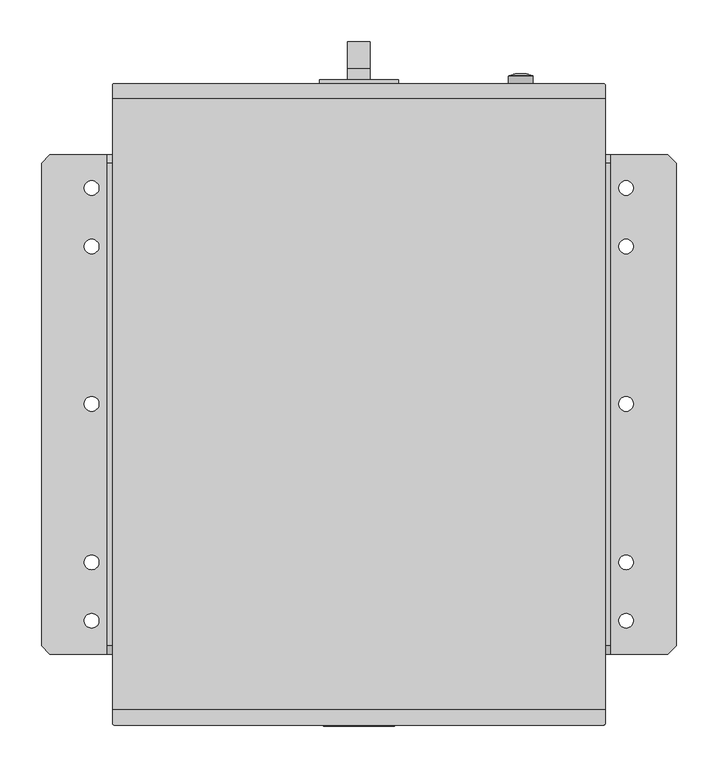
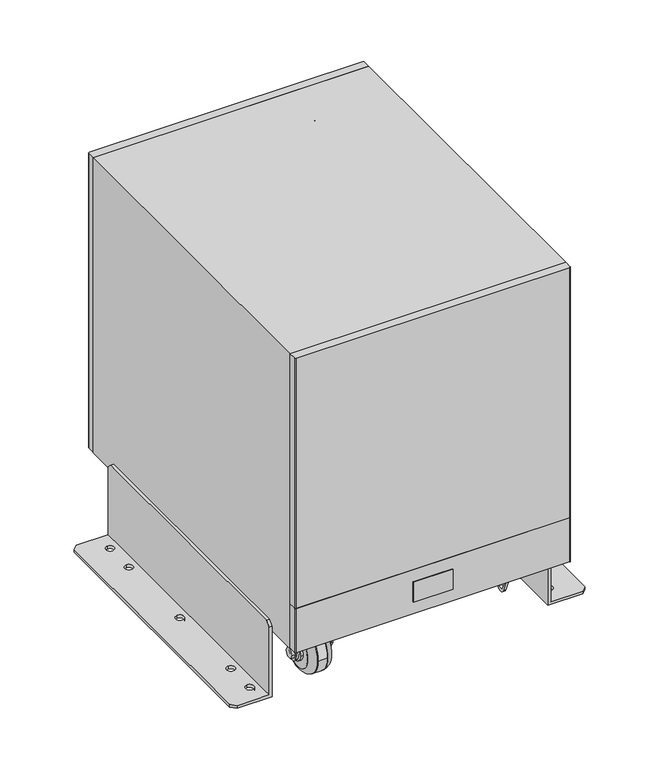
"""IFC4 building model written with IfcOpenShell, lengths in millimetres: proxy geometry."""

from ifc_helpers import new_model, si_unit, point, frame, frame_2d, origin, place, context, project, spatial, polyline, circle_curve, ellipse_curve, trimmed, segment, composite_curve, outline, extrude, source, transform, mapped, element, save
from ifc_brep_helpers import plane_surface, cylinder_surface, revolved_surface, advanced_brep


def specialty_equipment_90e3c128(model_context):
    return source(origin(), model_context, "Body", "SolidModel", [
        advanced_brep(
        [(-371.0530184, 299.7207349, 6.2572178), (-381.0645669, 289.7091864, 6.2572178), (-381.0645669, -289.7091864, 6.2572178), (-371.0530184, -299.7207349, 6.2572178), (-302.223622, -299.7207349, 6.2572178), (-302.223622, 299.7207349, 6.2572178), (-320.9952756, 268.4569644, 6.2572178), (-320.9952756, 250.8921169, 6.2572178), (-320.9952756, 198.3761245, 6.2572178), (-320.9952756, 180.811277, 6.2572178), (-320.9952756, 9.4081455, 6.2572178), (-320.9952756, -8.156702, 6.2572178), (-320.9952756, -180.811277, 6.2572178), (-320.9952756, -198.3761245, 6.2572178), (-320.9952756, -250.8921169, 6.2572178), (-320.9952756, -268.4569644, 6.2572178), (-371.0530184, 299.7207349, 0.0), (-295.9664042, 299.7207349, 0.0), (-295.9664042, -299.7207349, 0.0), (-371.0530184, -299.7207349, 0.0), (-381.0645669, -289.7091864, 0.0), (-381.0645669, 289.7091864, 0.0), (-320.9952756, 268.4569644, 0.0), (-320.9952756, 250.8921169, 0.0), (-320.9952756, 198.3761245, 0.0), (-320.9952756, 180.811277, 0.0), (-320.9952756, 9.4081455, 0.0), (-320.9952756, -8.156702, 0.0), (-320.9952756, -180.811277, 0.0), (-320.9952756, -198.3761245, 0.0), (-320.9952756, -250.8921169, 0.0), (-320.9952756, -268.4569644, 0.0), (-295.9664042, -299.7207349, 160.1847769), (-302.223622, -299.7207349, 160.1847769), (-302.223622, 299.7207349, 160.1847769), (-295.9664042, 299.7207349, 160.1847769), (-302.223622, -289.7091864, 170.1963255), (-302.223622, 289.7091864, 170.1963255), (-295.9664042, 289.7091864, 170.1963255), (-295.9664042, -289.7091864, 170.1963255)],
        [
            (0, 1),
            (1, 2),
            (2, 3),
            (3, 4),
            (4, 5),
            (5, 0),
            (6, 7, circle_curve(frame((-320.9952756, 259.6745407, 6.2572178), z_axis=(0.0, 0.0, -1.0), x_axis=(0.0, -1.0, 0.0)), 8.7824238)),
            (7, 6, circle_curve(frame((-320.9952756, 259.6745407, 6.2572178), z_axis=(0.0, 0.0, -1.0), x_axis=(0.0, -1.0, 0.0)), 8.7824238)),
            (8, 9, circle_curve(frame((-320.9952756, 189.5937008, 6.2572178), z_axis=(0.0, 0.0, -1.0), x_axis=(0.0, -1.0, 0.0)), 8.7824238)),
            (9, 8, circle_curve(frame((-320.9952756, 189.5937008, 6.2572178), z_axis=(0.0, 0.0, -1.0), x_axis=(0.0, -1.0, 0.0)), 8.7824238)),
            (10, 11, circle_curve(frame((-320.9952756, 0.6257218, 6.2572178), z_axis=(0.0, 0.0, -1.0), x_axis=(0.0, -1.0, 0.0)), 8.7824238)),
            (11, 10, circle_curve(frame((-320.9952756, 0.6257218, 6.2572178), z_axis=(0.0, 0.0, -1.0), x_axis=(0.0, -1.0, 0.0)), 8.7824238)),
            (12, 13, circle_curve(frame((-320.9952756, -189.5937008, 6.2572178), z_axis=(0.0, 0.0, -1.0), x_axis=(0.0, -1.0, 0.0)), 8.7824238)),
            (13, 12, circle_curve(frame((-320.9952756, -189.5937008, 6.2572178), z_axis=(0.0, 0.0, -1.0), x_axis=(0.0, -1.0, 0.0)), 8.7824238)),
            (14, 15, circle_curve(frame((-320.9952756, -259.6745407, 6.2572178), z_axis=(0.0, 0.0, -1.0), x_axis=(0.0, -1.0, 0.0)), 8.7824238)),
            (15, 14, circle_curve(frame((-320.9952756, -259.6745407, 6.2572178), z_axis=(0.0, 0.0, -1.0), x_axis=(0.0, -1.0, 0.0)), 8.7824238)),
            (16, 17),
            (17, 18),
            (18, 19),
            (19, 20),
            (20, 21),
            (21, 16),
            (22, 23, circle_curve(frame((-320.9952756, 259.6745407, 0.0), z_axis=(0.0, 0.0, 1.0), x_axis=(0.0, -1.0, 0.0)), 8.7824238)),
            (23, 22, circle_curve(frame((-320.9952756, 259.6745407, 0.0), z_axis=(0.0, 0.0, 1.0), x_axis=(0.0, -1.0, 0.0)), 8.7824238)),
            (24, 25, circle_curve(frame((-320.9952756, 189.5937008, 0.0), z_axis=(0.0, 0.0, 1.0), x_axis=(0.0, -1.0, 0.0)), 8.7824238)),
            (25, 24, circle_curve(frame((-320.9952756, 189.5937008, 0.0), z_axis=(0.0, 0.0, 1.0), x_axis=(0.0, -1.0, 0.0)), 8.7824238)),
            (26, 27, circle_curve(frame((-320.9952756, 0.6257218, 0.0), z_axis=(0.0, 0.0, 1.0), x_axis=(0.0, -1.0, 0.0)), 8.7824238)),
            (27, 26, circle_curve(frame((-320.9952756, 0.6257218, 0.0), z_axis=(0.0, 0.0, 1.0), x_axis=(0.0, -1.0, 0.0)), 8.7824238)),
            (28, 29, circle_curve(frame((-320.9952756, -189.5937008, 0.0), z_axis=(0.0, 0.0, 1.0), x_axis=(0.0, -1.0, 0.0)), 8.7824238)),
            (29, 28, circle_curve(frame((-320.9952756, -189.5937008, 0.0), z_axis=(0.0, 0.0, 1.0), x_axis=(0.0, -1.0, 0.0)), 8.7824238)),
            (30, 31, circle_curve(frame((-320.9952756, -259.6745407, 0.0), z_axis=(0.0, 0.0, 1.0), x_axis=(0.0, -1.0, 0.0)), 8.7824238)),
            (31, 30, circle_curve(frame((-320.9952756, -259.6745407, 0.0), z_axis=(0.0, 0.0, 1.0), x_axis=(0.0, -1.0, 0.0)), 8.7824238)),
            (0, 16),
            (21, 1),
            (20, 2),
            (19, 3),
            (18, 32),
            (32, 33),
            (33, 4),
            (5, 34),
            (34, 35),
            (35, 17),
            (6, 22),
            (23, 7),
            (8, 24),
            (25, 9),
            (10, 26),
            (27, 11),
            (12, 28),
            (29, 13),
            (14, 30),
            (31, 15),
            (33, 36),
            (36, 37),
            (37, 34),
            (35, 38),
            (38, 39),
            (39, 32),
            (39, 36),
            (38, 37),
        ],
        [
            plane_surface(frame((-302.223622, 299.7207349, 6.2572178), z_axis=(0.0, 0.0, 1.0), x_axis=(1.0, 0.0, 0.0))),
            plane_surface(frame((-302.223622, 299.7207349, 0.0), z_axis=(0.0, 0.0, -1.0), x_axis=(-1.0, 0.0, 0.0))),
            plane_surface(frame((-381.0645669, 289.7091864, 6.2572178), z_axis=(-0.7071067811865476, 0.7071067811865476, 0.0), x_axis=(0.0, 0.0, -1.0))),
            plane_surface(frame((-381.0645669, -289.7091864, 6.2572178), z_axis=(-1.0, 0.0, 0.0), x_axis=(0.0, 0.0, -1.0))),
            plane_surface(frame((-371.0530184, -299.7207349, 6.2572178), z_axis=(-0.7071067811865464, -0.7071067811865488, 0.0), x_axis=(0.0, 0.0, -1.0))),
            plane_surface(frame((-302.223622, -299.7207349, 6.2572178), z_axis=(0.0, -1.0, 0.0), x_axis=(0.0, 0.0, -1.0))),
            plane_surface(frame((-371.0530184, 299.7207349, 6.2572178), z_axis=(0.0, 1.0, 0.0), x_axis=(0.0, 0.0, -1.0))),
            revolved_surface(polyline([(-320.9952756, 250.89211690000002, 0.0), (-320.9952756, 250.89211690000002, 6.2572178)]), (-320.9952756, 259.6745407, 0.0), (0.0, 0.0, -1.0)),
            revolved_surface(polyline([(-320.9952756, 180.811277, 0.0), (-320.9952756, 180.811277, 6.2572178)]), (-320.9952756, 189.5937008, 0.0), (0.0, 0.0, -1.0)),
            revolved_surface(polyline([(-320.9952756, -8.156702, 0.0), (-320.9952756, -8.156702, 6.2572178)]), (-320.9952756, 0.6257218, 0.0), (0.0, 0.0, -1.0)),
            revolved_surface(polyline([(-320.9952756, -198.3761246, 0.0), (-320.9952756, -198.3761246, 6.2572178)]), (-320.9952756, -189.5937008, 0.0), (0.0, 0.0, -1.0)),
            revolved_surface(polyline([(-320.9952756, -268.4569645, 0.0), (-320.9952756, -268.4569645, 6.2572178)]), (-320.9952756, -259.6745407, 0.0), (0.0, 0.0, -1.0)),
            plane_surface(frame((-302.223622, 299.7207349, 0.0), z_axis=(-1.0, 0.0, 0.0), x_axis=(0.0, 1.0, 0.0))),
            plane_surface(frame((-295.9664042, 299.7207349, 0.0), z_axis=(1.0, 0.0, 0.0), x_axis=(0.0, -1.0, 0.0))),
            plane_surface(frame((-302.223622, -289.7091864, 170.1963255), z_axis=(0.0, -0.7071067811865499, 0.7071067811865451), x_axis=(1.0, 0.0, 0.0))),
            plane_surface(frame((-302.223622, 289.7091864, 170.1963255), z_axis=(0.0, 0.0, 1.0), x_axis=(1.0, 0.0, 0.0))),
            plane_surface(frame((-302.223622, 299.7207349, 160.1847769), z_axis=(0.0, 0.7071067811875645, 0.7071067811855306), x_axis=(1.0, 0.0, 0.0))),
        ],
        [
            (0, [[1, 2, 3, 4, 5, 6], [7, 8], [9, 10], [11, 12], [13, 14], [15, 16]]),
            (1, [[17, 18, 19, 20, 21, 22], [23, 24], [25, 26], [27, 28], [29, 30], [31, 32]]),
            (2, [[33, -22, 34, -1]]),
            (3, [[-34, -21, 35, -2]]),
            (4, [[-35, -20, 36, -3]]),
            (5, [[-36, -19, 37, 38, 39, -4]]),
            (6, [[40, 41, 42, -17, -33, -6]]),
            (7, [[43, -24, 44, -7]]),
            (7, [[-44, -23, -43, -8]]),
            (8, [[45, -26, 46, -9]]),
            (8, [[-46, -25, -45, -10]]),
            (9, [[47, -28, 48, -11]]),
            (9, [[-48, -27, -47, -12]]),
            (10, [[49, -30, 50, -13]]),
            (10, [[-50, -29, -49, -14]]),
            (11, [[51, -32, 52, -15]]),
            (11, [[-52, -31, -51, -16]]),
            (12, [[-40, -5, -39, 53, 54, 55]]),
            (13, [[-18, -42, 56, 57, 58, -37]]),
            (14, [[-38, -58, 59, -53]]),
            (15, [[-59, -57, 60, -54]]),
            (16, [[-60, -56, -41, -55]]),
        ],
    ),
        advanced_brep(
        [(371.0530184, 299.7207349, 6.2572178), (302.223622, 299.7207349, 6.2572178), (302.223622, -299.7207349, 6.2572178), (371.0530184, -299.7207349, 6.2572178), (381.0645669, -289.7091864, 6.2572178), (381.0645669, 289.7091864, 6.2572178), (320.9952756, 268.4569644, 6.2572178), (320.9952756, 250.8921169, 6.2572178), (320.9952756, 198.3761245, 6.2572178), (320.9952756, 180.811277, 6.2572178), (320.9952756, 9.4081455, 6.2572178), (320.9952756, -8.156702, 6.2572178), (320.9952756, -180.811277, 6.2572178), (320.9952756, -198.3761245, 6.2572178), (320.9952756, -250.8921169, 6.2572178), (320.9952756, -268.4569644, 6.2572178), (295.9664042, 299.7207349, 0.0), (371.0530184, 299.7207349, 0.0), (381.0645669, 289.7091864, 0.0), (381.0645669, -289.7091864, 0.0), (371.0530184, -299.7207349, 0.0), (295.9664042, -299.7207349, 0.0), (320.9952756, 268.4569644, 0.0), (320.9952756, 250.8921169, 0.0), (320.9952756, 198.3761245, 0.0), (320.9952756, 180.811277, 0.0), (320.9952756, 9.4081455, 0.0), (320.9952756, -8.156702, 0.0), (320.9952756, -180.811277, 0.0), (320.9952756, -198.3761245, 0.0), (320.9952756, -250.8921169, 0.0), (320.9952756, -268.4569644, 0.0), (302.223622, -299.7207349, 160.1847769), (295.9664042, -299.7207349, 160.1847769), (295.9664042, 299.7207349, 160.1847769), (302.223622, 299.7207349, 160.1847769), (302.223622, 289.7091864, 170.1963255), (302.223622, -289.7091864, 170.1963255), (295.9664042, -289.7091864, 170.1963255), (295.9664042, 289.7091864, 170.1963255)],
        [
            (0, 1),
            (1, 2),
            (2, 3),
            (3, 4),
            (4, 5),
            (5, 0),
            (6, 7, circle_curve(frame((320.9952756, 259.6745407, 6.2572178), z_axis=(0.0, 0.0, -1.0), x_axis=(0.0, -1.0, 0.0)), 8.7824238)),
            (7, 6, circle_curve(frame((320.9952756, 259.6745407, 6.2572178), z_axis=(0.0, 0.0, -1.0), x_axis=(0.0, -1.0, 0.0)), 8.7824238)),
            (8, 9, circle_curve(frame((320.9952756, 189.5937008, 6.2572178), z_axis=(0.0, 0.0, -1.0), x_axis=(0.0, -1.0, 0.0)), 8.7824238)),
            (9, 8, circle_curve(frame((320.9952756, 189.5937008, 6.2572178), z_axis=(0.0, 0.0, -1.0), x_axis=(0.0, -1.0, 0.0)), 8.7824238)),
            (10, 11, circle_curve(frame((320.9952756, 0.6257218, 6.2572178), z_axis=(0.0, 0.0, -1.0), x_axis=(0.0, -1.0, 0.0)), 8.7824238)),
            (11, 10, circle_curve(frame((320.9952756, 0.6257218, 6.2572178), z_axis=(0.0, 0.0, -1.0), x_axis=(0.0, -1.0, 0.0)), 8.7824238)),
            (12, 13, circle_curve(frame((320.9952756, -189.5937008, 6.2572178), z_axis=(0.0, 0.0, -1.0), x_axis=(0.0, -1.0, 0.0)), 8.7824238)),
            (13, 12, circle_curve(frame((320.9952756, -189.5937008, 6.2572178), z_axis=(0.0, 0.0, -1.0), x_axis=(0.0, -1.0, 0.0)), 8.7824238)),
            (14, 15, circle_curve(frame((320.9952756, -259.6745407, 6.2572178), z_axis=(0.0, 0.0, -1.0), x_axis=(0.0, -1.0, 0.0)), 8.7824238)),
            (15, 14, circle_curve(frame((320.9952756, -259.6745407, 6.2572178), z_axis=(0.0, 0.0, -1.0), x_axis=(0.0, -1.0, 0.0)), 8.7824238)),
            (16, 17),
            (17, 18),
            (18, 19),
            (19, 20),
            (20, 21),
            (21, 16),
            (22, 23, circle_curve(frame((320.9952756, 259.6745407, 0.0), z_axis=(0.0, 0.0, 1.0), x_axis=(0.0, -1.0, 0.0)), 8.7824238)),
            (23, 22, circle_curve(frame((320.9952756, 259.6745407, 0.0), z_axis=(0.0, 0.0, 1.0), x_axis=(0.0, -1.0, 0.0)), 8.7824238)),
            (24, 25, circle_curve(frame((320.9952756, 189.5937008, 0.0), z_axis=(0.0, 0.0, 1.0), x_axis=(0.0, -1.0, 0.0)), 8.7824238)),
            (25, 24, circle_curve(frame((320.9952756, 189.5937008, 0.0), z_axis=(0.0, 0.0, 1.0), x_axis=(0.0, -1.0, 0.0)), 8.7824238)),
            (26, 27, circle_curve(frame((320.9952756, 0.6257218, 0.0), z_axis=(0.0, 0.0, 1.0), x_axis=(0.0, -1.0, 0.0)), 8.7824238)),
            (27, 26, circle_curve(frame((320.9952756, 0.6257218, 0.0), z_axis=(0.0, 0.0, 1.0), x_axis=(0.0, -1.0, 0.0)), 8.7824238)),
            (28, 29, circle_curve(frame((320.9952756, -189.5937008, 0.0), z_axis=(0.0, 0.0, 1.0), x_axis=(0.0, -1.0, 0.0)), 8.7824238)),
            (29, 28, circle_curve(frame((320.9952756, -189.5937008, 0.0), z_axis=(0.0, 0.0, 1.0), x_axis=(0.0, -1.0, 0.0)), 8.7824238)),
            (30, 31, circle_curve(frame((320.9952756, -259.6745407, 0.0), z_axis=(0.0, 0.0, 1.0), x_axis=(0.0, -1.0, 0.0)), 8.7824238)),
            (31, 30, circle_curve(frame((320.9952756, -259.6745407, 0.0), z_axis=(0.0, 0.0, 1.0), x_axis=(0.0, -1.0, 0.0)), 8.7824238)),
            (5, 18),
            (17, 0),
            (4, 19),
            (3, 20),
            (2, 32),
            (32, 33),
            (33, 21),
            (16, 34),
            (34, 35),
            (35, 1),
            (7, 23),
            (22, 6),
            (9, 25),
            (24, 8),
            (11, 27),
            (26, 10),
            (13, 29),
            (28, 12),
            (15, 31),
            (30, 14),
            (35, 36),
            (36, 37),
            (37, 32),
            (33, 38),
            (38, 39),
            (39, 34),
            (37, 38),
            (36, 39),
        ],
        [
            plane_surface(frame((371.0530184, 299.7207349, 6.2572178), z_axis=(0.0, 0.0, 1.0000000000000002), x_axis=(0.70710678118655, -0.7071067811865451, 0.0))),
            plane_surface(frame((371.0530184, 299.7207349, 0.0), z_axis=(0.0, 0.0, -1.0000000000000002), x_axis=(-0.70710678118655, 0.7071067811865451, 0.0))),
            plane_surface(frame((371.0530184, 299.7207349, 6.2572178), z_axis=(0.7071067811865451, 0.70710678118655, 0.0), x_axis=(0.0, 0.0, -1.0))),
            plane_surface(frame((381.0645669, 289.7091864, 6.2572178), z_axis=(1.0, 0.0, 0.0), x_axis=(0.0, 0.0, -1.0))),
            plane_surface(frame((381.0645669, -289.7091864, 6.2572178), z_axis=(0.7071067811865488, -0.7071067811865464, 0.0), x_axis=(0.0, 0.0, -1.0))),
            plane_surface(frame((371.0530184, -299.7207349, 6.2572178), z_axis=(0.0, -1.0, 0.0), x_axis=(0.0, 0.0, -1.0))),
            plane_surface(frame((302.223622, 299.7207349, 6.2572178), z_axis=(0.0, 1.0, 0.0), x_axis=(0.0, 0.0, -1.0))),
            revolved_surface(polyline([(320.9952756, 250.89211690000002, 0.0), (320.9952756, 250.89211690000002, 6.2572178)]), (320.9952756, 259.6745407, 0.0), (0.0, 0.0, -1.0)),
            revolved_surface(polyline([(320.9952756, 180.811277, 0.0), (320.9952756, 180.811277, 6.2572178)]), (320.9952756, 189.5937008, 0.0), (0.0, 0.0, -1.0)),
            revolved_surface(polyline([(320.9952756, -8.156702, 0.0), (320.9952756, -8.156702, 6.2572178)]), (320.9952756, 0.6257218, 0.0), (0.0, 0.0, -1.0)),
            revolved_surface(polyline([(320.9952756, -198.3761246, 0.0), (320.9952756, -198.3761246, 6.2572178)]), (320.9952756, -189.5937008, 0.0), (0.0, 0.0, -1.0)),
            revolved_surface(polyline([(320.9952756, -268.4569645, 0.0), (320.9952756, -268.4569645, 6.2572178)]), (320.9952756, -259.6745407, 0.0), (0.0, 0.0, -1.0)),
            plane_surface(frame((302.223622, -299.7207349, 0.0), z_axis=(1.0, 0.0, 0.0), x_axis=(0.0, 0.0, 1.0))),
            plane_surface(frame((295.9664042, -299.7207349, 0.0), z_axis=(-1.0, 0.0, 0.0), x_axis=(0.0, 0.0, -1.0))),
            plane_surface(frame((302.223622, -299.7207349, 160.1847769), z_axis=(0.0, -0.7071067811865487, 0.7071067811865464), x_axis=(-1.0, 0.0, 0.0))),
            plane_surface(frame((302.223622, -289.7091864, 170.1963255), z_axis=(0.0, 0.0, 1.0), x_axis=(-1.0, 0.0, 0.0))),
            plane_surface(frame((302.223622, 289.7091864, 170.1963255), z_axis=(0.0, 0.7071067811875645, 0.7071067811855306), x_axis=(-1.0, 0.0, 0.0))),
        ],
        [
            (0, [[1, 2, 3, 4, 5, 6], [7, 8], [9, 10], [11, 12], [13, 14], [15, 16]]),
            (1, [[17, 18, 19, 20, 21, 22], [23, 24], [25, 26], [27, 28], [29, 30], [31, 32]]),
            (2, [[33, -18, 34, -6]]),
            (3, [[35, -19, -33, -5]]),
            (4, [[36, -20, -35, -4]]),
            (5, [[37, 38, 39, -21, -36, -3]]),
            (6, [[-34, -17, 40, 41, 42, -1]]),
            (7, [[43, -23, 44, -8]]),
            (7, [[-44, -24, -43, -7]]),
            (8, [[45, -25, 46, -10]]),
            (8, [[-46, -26, -45, -9]]),
            (9, [[47, -27, 48, -12]]),
            (9, [[-48, -28, -47, -11]]),
            (10, [[49, -29, 50, -14]]),
            (10, [[-50, -30, -49, -13]]),
            (11, [[51, -31, 52, -16]]),
            (11, [[-52, -32, -51, -15]]),
            (12, [[-37, -2, -42, 53, 54, 55]]),
            (13, [[-39, 56, 57, 58, -40, -22]]),
            (14, [[59, -56, -38, -55]]),
            (15, [[60, -57, -59, -54]]),
            (16, [[-41, -58, -60, -53]]),
        ],
    ),
        extrude(outline(polyline([(42.4962458, -386.4703028), (-42.4962458, -386.4703028), (-42.4962458, -385.000275), (42.4962458, -385.000275), (42.4962458, -386.4703028)])), frame((0.0, 0.0, 178.5136417), z_axis=(0.0, 0.0, 1.0), x_axis=(1.0, 0.0, 0.0)), (0.0, 0.0, 1.0), 44.996025),
        extrude(outline(composite_curve([segment(trimmed(circle_curve(frame_2d((670.2349083, -0.1470028)), 27.4895194), [point((670.2349083, 27.3425167))], [point((670.2349083, -27.6365222))], False, "CARTESIAN"), True, "CONTINUOUS"), segment(trimmed(circle_curve(frame_2d((670.2349083, -0.1470028)), 27.4895194), [point((670.2349083, -27.6365222))], [point((670.2349083, 27.3425167))], False, "CARTESIAN"), True, "CONTINUOUS")], self_intersect=False)), frame((0.0, 385.000275, 0.0), z_axis=(0.0, 1.0, 0.0), x_axis=(0.0, 0.0, 1.0)), (0.0, 0.0, 1.0), 4.4100833),
        extrude(outline(composite_curve([segment(polyline([(296.0032625, -366.477925), (296.0032625, -382.6482306)]), True, "CONTINUOUS"), segment(trimmed(circle_curve(frame_2d((293.6512181, -382.6482306)), 2.3520444), [point((296.0032625, -382.6482306))], [point((293.6512181, -385.000275))], False, "CARTESIAN"), True, "CONTINUOUS"), segment(polyline([(293.6512181, -385.000275), (-293.6512181, -385.000275)]), True, "CONTINUOUS"), segment(trimmed(circle_curve(frame_2d((-293.6512181, -382.6482306)), 2.3520444), [point((-293.6512181, -385.000275))], [point((-296.0032625, -382.6482306))], False, "CARTESIAN"), True, "CONTINUOUS"), segment(polyline([(-296.0032625, -382.6482306), (-296.0032625, -366.477925), (296.0032625, -366.477925)]), True, "CONTINUOUS")], self_intersect=False)), frame((0.0, 0.0, 252.0365583), z_axis=(0.0, 0.0, 1.0), x_axis=(1.0, 0.0, 0.0)), (0.0, 0.0, 1.0), 566.9634417),
        extrude(outline(composite_curve([segment(polyline([(296.0032625, -366.477925), (296.0032625, -382.6482306)]), True, "CONTINUOUS"), segment(trimmed(circle_curve(frame_2d((293.6512181, -382.6482306)), 2.3520444), [point((296.0032625, -382.6482306))], [point((293.6512181, -385.000275))], False, "CARTESIAN"), True, "CONTINUOUS"), segment(polyline([(293.6512181, -385.000275), (-293.6512181, -385.000275)]), True, "CONTINUOUS"), segment(trimmed(circle_curve(frame_2d((-293.6512181, -382.6482306)), 2.3520444), [point((-293.6512181, -385.000275))], [point((-296.0032625, -382.6482306))], False, "CARTESIAN"), True, "CONTINUOUS"), segment(polyline([(-296.0032625, -382.6482306), (-296.0032625, -366.477925), (296.0032625, -366.477925)]), True, "CONTINUOUS")], self_intersect=False)), frame((0.0, 0.0, 151.1631167), z_axis=(0.0, 0.0, 1.0), x_axis=(1.0, 0.0, 0.0)), (0.0, 0.0, 1.0), 99.9911667),
        extrude(outline(polyline([(296.0032625, -366.477925), (-296.0032625, -366.477925), (-296.0032625, 366.477925), (296.0032625, 366.477925), (296.0032625, -366.477925)])), frame((0.0, 0.0, 149.98675), z_axis=(0.0, 0.0, 1.0), x_axis=(1.0, 0.0, 0.0)), (0.0, 0.0, 1.0), 669.01325),
        extrude(outline(composite_curve([segment(polyline([(296.0032625, -366.477925), (296.0032625, -382.6482306)]), True, "CONTINUOUS"), segment(trimmed(circle_curve(frame_2d((293.6512181, -382.6482306)), 2.3520444), [point((296.0032625, -382.6482306))], [point((293.6512181, -385.000275))], False, "CARTESIAN"), True, "CONTINUOUS"), segment(polyline([(293.6512181, -385.000275), (-293.6512181, -385.000275)]), True, "CONTINUOUS"), segment(trimmed(circle_curve(frame_2d((-293.6512181, -382.6482306)), 2.3520444), [point((-293.6512181, -385.000275))], [point((-296.0032625, -382.6482306))], False, "CARTESIAN"), True, "CONTINUOUS"), segment(polyline([(-296.0032625, -382.6482306), (-296.0032625, -366.477925), (296.0032625, -366.477925)]), True, "CONTINUOUS")], self_intersect=False)), frame((0.0, 0.0, 151.1631167), z_axis=(0.0, 0.0, 1.0), x_axis=(1.0, 0.0, 0.0)), (0.0, 0.0, 1.0), 99.9911667),
        extrude(outline(polyline([(720.2304917, -47.4958042), (620.239325, -47.4958042), (620.239325, 47.4958042), (720.2304917, 47.4958042), (720.2304917, -47.4958042)]), holes=[composite_curve([segment(trimmed(circle_curve(frame_2d((670.2349083, -0.1470028)), 27.4895194), [point((670.2349083, -27.6365222))], [point((670.2349083, 27.3425167))], True, "CARTESIAN"), True, "CONTINUOUS"), segment(trimmed(circle_curve(frame_2d((670.2349083, -0.1470028)), 27.4895194), [point((670.2349083, 27.3425167))], [point((670.2349083, -27.6365222))], True, "CARTESIAN"), True, "CONTINUOUS")], self_intersect=False)]), frame((0.0, 385.000275, 0.0), z_axis=(0.0, 1.0, 0.0), x_axis=(0.0, 0.0, 1.0)), (0.0, 0.0, 1.0), 4.4100833),
        extrude(outline(composite_curve([segment(polyline([(296.0032625, 366.477925), (-296.0032625, 366.477925), (-296.0032625, 382.6482306)]), True, "CONTINUOUS"), segment(trimmed(circle_curve(frame_2d((-293.6512181, 382.6482306)), 2.3520444), [point((-296.0032625, 382.6482306))], [point((-293.6512181, 385.000275))], False, "CARTESIAN"), True, "CONTINUOUS"), segment(polyline([(-293.6512181, 385.000275), (293.6512181, 385.000275)]), True, "CONTINUOUS"), segment(trimmed(circle_curve(frame_2d((293.6512181, 382.6482306)), 2.3520444), [point((293.6512181, 385.000275))], [point((296.0032625, 382.6482306))], False, "CARTESIAN"), True, "CONTINUOUS"), segment(polyline([(296.0032625, 382.6482306), (296.0032625, 366.477925)]), True, "CONTINUOUS")], self_intersect=False)), frame((0.0, 0.0, 151.1631167), z_axis=(0.0, 0.0, 1.0), x_axis=(1.0, 0.0, 0.0)), (0.0, 0.0, 1.0), 667.8368833),
        extrude(outline(polyline([(403.522625, 694.350425), (405.5806639, 694.350425), (405.5806639, 646.4134833), (403.522625, 646.4134833), (403.522625, 642.8843833), (389.4103583, 642.8843833), (389.4103583, 697.879525), (403.522625, 697.879525), (403.522625, 694.350425)])), frame((-13.5242556, 0.0, 0.0), z_axis=(1.0, 0.0, 0.0), x_axis=(0.0, 1.0, 0.0)), (0.0, 0.0, 1.0), 27.0485111),
        extrude(outline(polyline([(403.522625, 700.2322583), (435.275225, 700.2322583), (435.275225, 627.0034333), (403.522625, 623.4743333), (403.522625, 646.4134833), (405.5806639, 646.4134833), (405.5806639, 694.350425), (403.522625, 694.350425), (403.522625, 700.2322583)])), frame((-13.5242556, 0.0, 0.0), z_axis=(1.0, 0.0, 0.0), x_axis=(0.0, 1.0, 0.0)), (0.0, 0.0, 1.0), 27.0485111),
        extrude(outline(polyline([(721.4068583, 48.5109167), (721.4068583, -48.5109167), (619.35705, -48.5109167), (619.35705, 48.5109167), (721.4068583, 48.5109167)]), holes=[polyline([(620.239325, -47.6289), (720.2304917, -47.6289), (720.2304917, 47.3348944), (620.239325, 47.3348944), (620.239325, -47.6289)])]), frame((0.0, 382.8213484, 0.0), z_axis=(0.0, 1.0, 0.0), x_axis=(0.0, 0.0, 1.0)), (0.0, 0.0, 1.0), 2.1789266),
        advanced_brep(
        [(209.2462208, 393.5264361, 640.2375583), (209.2462208, 385.000275, 640.2375583), (179.8370542, 385.000275, 640.2375583), (179.8370542, 393.5264361, 640.2375583), (208.8084107, 394.1755163, 640.2375583), (180.2748643, 394.1755163, 640.2375583), (194.5416375, 397.0651197, 640.2375583), (194.5416375, 385.000275, 640.2375583)],
        [
            (0, 1),
            (1, 2, circle_curve(frame((194.5416375, 385.000275, 640.2375583), z_axis=(0.0, 1.0, 0.0), x_axis=(-1.0, 0.0, 0.0)), 14.7045833)),
            (2, 3),
            (3, 0, circle_curve(frame((194.5416375, 393.5264361, 640.2375583), z_axis=(0.0, -1.0, 0.0), x_axis=(-1.0, 0.0, 0.0)), 14.7045833)),
            (2, 1, circle_curve(frame((194.5416375, 385.000275, 640.2375583), z_axis=(0.0, 1.0, 0.0), x_axis=(-1.0, 0.0, 0.0)), 14.7045833)),
            (0, 3, circle_curve(frame((194.5416375, 393.5264361, 640.2375583), z_axis=(0.0, -1.0, 0.0), x_axis=(-1.0, 0.0, 0.0)), 14.7045833)),
            (4, 0),
            (3, 5),
            (5, 4, circle_curve(frame((194.5416375, 394.1755163, 640.2375583), z_axis=(0.0, -1.0, 0.0), x_axis=(-1.0, 0.0, 0.0)), 14.2667732)),
            (4, 5, circle_curve(frame((194.5416375, 394.1755163, 640.2375583), z_axis=(0.0, -1.0, 0.0), x_axis=(-1.0, 0.0, 0.0)), 14.2667732)),
            (6, 4, circle_curve(frame((194.5416375, 360.4008098, 640.2375583), z_axis=(0.0, 0.0, -1.0), x_axis=(-1.0, 0.0, 0.0)), 36.6643099)),
            (5, 6, circle_curve(frame((194.5416375, 360.4008098, 640.2375583), z_axis=(0.0, 0.0, -1.0), x_axis=(1.0, 0.0, 0.0)), 36.6643099)),
            (1, 7),
            (7, 2),
        ],
        [
            cylinder_surface(frame((194.5416375, 380.000275, 640.2375583), z_axis=(0.0, 1.0, 0.0), x_axis=(-1.0, 0.0, 0.0)), 14.7045833),
            revolved_surface(polyline([(179.8370542, 393.5264361, 640.2375583), (180.2748643, 394.1755163, 640.2375583)]), (194.5416375, 380.000275, 640.2375583), (0.0, 1.0, 0.0)),
            revolved_surface(trimmed(ellipse_curve(frame((194.5416375, 360.4008098, 640.2375583), z_axis=(0.0, 0.0, -1.0), x_axis=(1.0, 0.0, 0.0)), 36.6643099, 36.6643099), [point((180.2748643, 394.1755163, 640.2375583))], [point((194.5416375, 397.0651197, 640.2375583))], True, "CARTESIAN"), (194.5416375, 380.000275, 640.2375583), (0.0, 1.0, 0.0)),
            plane_surface(frame((194.5416375, 385.000275, 640.2375583), z_axis=(0.0, -1.0, 0.0), x_axis=(-1.0, 0.0, 0.0))),
        ],
        [
            (0, [[1, 2, 3, 4]]),
            (0, [[-3, 5, -1, 6]]),
            (1, [[7, -4, 8, 9]]),
            (1, [[-8, -6, -7, 10]]),
            (2, [[11, -9, 12]]),
            (2, [[-12, -10, -11]]),
            (3, [[13, 14, -2]]),
            (3, [[-14, -13, -5]]),
        ],
    ),
        advanced_brep(
        [(209.2462208, 393.5264361, 700.2322583), (209.2462208, 385.000275, 700.2322583), (179.8370542, 385.000275, 700.2322583), (179.8370542, 393.5264361, 700.2322583), (208.8084107, 394.1755163, 700.2322583), (180.2748643, 394.1755163, 700.2322583), (194.5416375, 397.0651197, 700.2322583), (194.5416375, 385.000275, 700.2322583)],
        [
            (0, 1),
            (1, 2, circle_curve(frame((194.5416375, 385.000275, 700.2322583), z_axis=(0.0, 1.0, 0.0), x_axis=(-1.0, 0.0, 0.0)), 14.7045833)),
            (2, 3),
            (3, 0, circle_curve(frame((194.5416375, 393.5264361, 700.2322583), z_axis=(0.0, -1.0, 0.0), x_axis=(-1.0, 0.0, 0.0)), 14.7045833)),
            (2, 1, circle_curve(frame((194.5416375, 385.000275, 700.2322583), z_axis=(0.0, 1.0, 0.0), x_axis=(-1.0, 0.0, 0.0)), 14.7045833)),
            (0, 3, circle_curve(frame((194.5416375, 393.5264361, 700.2322583), z_axis=(0.0, -1.0, 0.0), x_axis=(-1.0, 0.0, 0.0)), 14.7045833)),
            (4, 0),
            (3, 5),
            (5, 4, circle_curve(frame((194.5416375, 394.1755163, 700.2322583), z_axis=(0.0, -1.0, 0.0), x_axis=(-1.0, 0.0, 0.0)), 14.2667732)),
            (4, 5, circle_curve(frame((194.5416375, 394.1755163, 700.2322583), z_axis=(0.0, -1.0, 0.0), x_axis=(-1.0, 0.0, 0.0)), 14.2667732)),
            (6, 4, circle_curve(frame((194.5416375, 360.4008098, 700.2322583), z_axis=(0.0, 0.0, -1.0), x_axis=(-1.0, 0.0, 0.0)), 36.6643099)),
            (5, 6, circle_curve(frame((194.5416375, 360.4008098, 700.2322583), z_axis=(0.0, 0.0, -1.0), x_axis=(1.0, 0.0, 0.0)), 36.6643099)),
            (1, 7),
            (7, 2),
        ],
        [
            cylinder_surface(frame((194.5416375, 380.000275, 700.2322583), z_axis=(0.0, 1.0, 0.0), x_axis=(-1.0, 0.0, 0.0)), 14.7045833),
            revolved_surface(polyline([(179.8370542, 393.5264361, 700.2322583), (180.2748643, 394.1755163, 700.2322583)]), (194.5416375, 380.000275, 700.2322583), (0.0, 1.0, 0.0)),
            revolved_surface(trimmed(ellipse_curve(frame((194.5416375, 360.4008098, 700.2322583), z_axis=(0.0, 0.0, -1.0), x_axis=(1.0, 0.0, 0.0)), 36.6643099, 36.6643099), [point((180.2748643, 394.1755163, 700.2322583))], [point((194.5416375, 397.0651197, 700.2322583))], True, "CARTESIAN"), (194.5416375, 380.000275, 700.2322583), (0.0, 1.0, 0.0)),
            plane_surface(frame((194.5416375, 385.000275, 700.2322583), z_axis=(0.0, -1.0, 0.0), x_axis=(-1.0, 0.0, 0.0))),
        ],
        [
            (0, [[1, 2, 3, 4]]),
            (0, [[-3, 5, -1, 6]]),
            (1, [[7, -4, 8, 9]]),
            (1, [[-8, -6, -7, 10]]),
            (2, [[11, -9, 12]]),
            (2, [[-12, -10, -11]]),
            (3, [[13, 14, -2]]),
            (3, [[-14, -13, -5]]),
        ],
    ),
        advanced_brep(
        [(-153.4709, -264.6963629, 38.5301868), (-153.4709, -244.0818479, 38.5301868), (-153.4709, -223.9450259, 89.99205), (-153.4709, -284.833185, 89.99205), (-153.4709, -248.5494562, 60.8478792), (-153.4709, -242.709807, 50.7333101), (-153.4709, -248.5494562, 40.618741), (-153.4709, -260.2287546, 40.618741), (-153.4709, -266.0684038, 50.7333101), (-153.4709, -260.2287546, 60.8478792), (-159.3510111, -264.7060741, 38.525975), (-159.3510111, -284.833185, 89.99205), (-159.3510111, -223.9450259, 89.99205), (-159.3510111, -244.0721367, 38.525975), (-159.3510111, -248.5494562, 60.8478792), (-159.3510111, -260.2287546, 60.8478792), (-159.3510111, -266.0684038, 50.7333101), (-159.3510111, -260.2287546, 40.618741), (-159.3510111, -248.5494562, 40.618741), (-159.3510111, -242.709807, 50.7333101)],
        [
            (0, 1, circle_curve(frame((-153.4709, -254.3891054, 43.0005277), z_axis=(1.0, 0.0, 0.0), x_axis=(0.0, 1.0, 0.0)), 11.2349234)),
            (1, 2),
            (2, 3),
            (3, 0),
            (4, 5),
            (5, 6),
            (6, 7),
            (7, 8),
            (8, 9),
            (9, 4),
            (10, 11),
            (11, 12),
            (12, 13),
            (13, 10, circle_curve(frame((-159.3510111, -254.3891054, 43.0005277), z_axis=(-1.0, 0.0, 0.0), x_axis=(0.0, 1.0, 0.0)), 11.2349234)),
            (14, 15),
            (15, 16),
            (16, 17),
            (17, 18),
            (18, 19),
            (19, 14),
            (3, 11),
            (10, 0),
            (2, 12),
            (1, 13),
            (9, 15),
            (14, 4),
            (8, 16),
            (7, 17),
            (6, 18),
            (5, 19),
        ],
        [
            plane_surface(frame((-153.4709, -284.833185, 89.99205), z_axis=(1.0, 0.0, 0.0), x_axis=(0.0, -0.36421435293673643, 0.9313151481184414))),
            plane_surface(frame((-159.3510111, -284.833185, 89.99205), z_axis=(-1.0, 0.0, 0.0), x_axis=(0.0, 0.36421435293673643, -0.9313151481184414))),
            plane_surface(frame((-153.4709, -264.7060741, 38.525975), z_axis=(0.0, -0.9313151481184414, -0.36421435293673643), x_axis=(-1.0, 0.0, 0.0))),
            plane_surface(frame((-153.4709, -284.833185, 89.99205), z_axis=(0.0, 0.0, 1.0), x_axis=(-1.0, 0.0, 0.0))),
            plane_surface(frame((-153.4709, -223.9450259, 89.99205), z_axis=(0.0, 0.9313151481185085, -0.36421435293656496), x_axis=(-1.0, 0.0, 0.0))),
            cylinder_surface(frame((-159.3510111, -254.3891054, 43.0005277), z_axis=(1.0, 0.0, 0.0), x_axis=(0.0, 1.0, 0.0)), 11.2349234),
            plane_surface(frame((-153.4709, -248.5494562, 60.8478792), z_axis=(0.0, 0.0, -1.0), x_axis=(-1.0, 0.0, 0.0))),
            plane_surface(frame((-153.4709, -260.2287546, 60.8478792), z_axis=(0.0, 0.8660254037843047, -0.5000000000002323), x_axis=(-1.0, 0.0, 0.0))),
            plane_surface(frame((-153.4709, -266.0684038, 50.7333101), z_axis=(0.0, 0.8660254037842656, 0.5000000000002996), x_axis=(-1.0, 0.0, 0.0))),
            plane_surface(frame((-153.4709, -260.2287546, 40.618741), z_axis=(0.0, 0.0, 1.0), x_axis=(-1.0, 0.0, 0.0))),
            plane_surface(frame((-153.4709, -248.5494562, 40.618741), z_axis=(0.0, -0.8660254037842644, 0.5000000000003018), x_axis=(-1.0, 0.0, 0.0))),
            plane_surface(frame((-153.4709, -242.709807, 50.7333101), z_axis=(0.0, -0.8660254037843034, -0.5000000000002345), x_axis=(-1.0, 0.0, 0.0))),
        ],
        [
            (0, [[1, 2, 3, 4], [5, 6, 7, 8, 9, 10]]),
            (1, [[11, 12, 13, 14], [15, 16, 17, 18, 19, 20]]),
            (2, [[21, -11, 22, -4]]),
            (3, [[23, -12, -21, -3]]),
            (4, [[24, -13, -23, -2]]),
            (5, [[-22, -14, -24, -1]]),
            (6, [[25, -15, 26, -10]]),
            (7, [[27, -16, -25, -9]]),
            (8, [[28, -17, -27, -8]]),
            (9, [[29, -18, -28, -7]]),
            (10, [[30, -19, -29, -6]]),
            (11, [[-26, -20, -30, -5]]),
        ],
    ),
        advanced_brep(
        [(-220.5041667, -264.6963629, 38.5301868), (-220.5041667, -244.0818479, 38.5301868), (-220.5041667, -223.9450259, 89.99205), (-220.5041667, -284.833185, 89.99205), (-220.5041667, -248.5494562, 60.8478792), (-220.5041667, -242.709807, 50.7333101), (-220.5041667, -248.5494562, 40.618741), (-220.5041667, -260.2287546, 40.618741), (-220.5041667, -266.0684038, 50.7333101), (-220.5041667, -260.2287546, 60.8478792), (-226.3842778, -264.7060741, 38.525975), (-226.3842778, -284.833185, 89.99205), (-226.3842778, -223.9450259, 89.99205), (-226.3842778, -244.0721367, 38.525975), (-226.3842778, -248.5494562, 60.8478792), (-226.3842778, -260.2287546, 60.8478792), (-226.3842778, -266.0684038, 50.7333101), (-226.3842778, -260.2287546, 40.618741), (-226.3842778, -248.5494562, 40.618741), (-226.3842778, -242.709807, 50.7333101)],
        [
            (0, 1, circle_curve(frame((-220.5041667, -254.3891054, 43.0005277), z_axis=(1.0, 0.0, 0.0), x_axis=(0.0, 1.0, 0.0)), 11.2349234)),
            (1, 2),
            (2, 3),
            (3, 0),
            (4, 5),
            (5, 6),
            (6, 7),
            (7, 8),
            (8, 9),
            (9, 4),
            (10, 11),
            (11, 12),
            (12, 13),
            (13, 10, circle_curve(frame((-226.3842778, -254.3891054, 43.0005277), z_axis=(-1.0, 0.0, 0.0), x_axis=(0.0, 1.0, 0.0)), 11.2349234)),
            (14, 15),
            (15, 16),
            (16, 17),
            (17, 18),
            (18, 19),
            (19, 14),
            (3, 11),
            (10, 0),
            (2, 12),
            (1, 13),
            (9, 15),
            (14, 4),
            (8, 16),
            (7, 17),
            (6, 18),
            (5, 19),
        ],
        [
            plane_surface(frame((-220.5041667, -284.833185, 89.99205), z_axis=(1.0, 0.0, 0.0), x_axis=(0.0, -0.36421435293673643, 0.9313151481184414))),
            plane_surface(frame((-226.3842778, -284.833185, 89.99205), z_axis=(-1.0, 0.0, 0.0), x_axis=(0.0, 0.36421435293673643, -0.9313151481184414))),
            plane_surface(frame((-220.5041667, -264.7060741, 38.525975), z_axis=(0.0, -0.9313151481184414, -0.36421435293673643), x_axis=(-1.0, 0.0, 0.0))),
            plane_surface(frame((-220.5041667, -284.833185, 89.99205), z_axis=(0.0, 0.0, 1.0), x_axis=(-1.0, 0.0, 0.0))),
            plane_surface(frame((-220.5041667, -223.9450259, 89.99205), z_axis=(0.0, 0.9313151481185085, -0.36421435293656496), x_axis=(-1.0, 0.0, 0.0))),
            cylinder_surface(frame((-226.3842778, -254.3891054, 43.0005277), z_axis=(1.0, 0.0, 0.0), x_axis=(0.0, 1.0, 0.0)), 11.2349234),
            plane_surface(frame((-220.5041667, -248.5494562, 60.8478792), z_axis=(0.0, 0.0, -1.0), x_axis=(-1.0, 0.0, 0.0))),
            plane_surface(frame((-220.5041667, -260.2287546, 60.8478792), z_axis=(0.0, 0.8660254037843047, -0.5000000000002323), x_axis=(-1.0, 0.0, 0.0))),
            plane_surface(frame((-220.5041667, -266.0684038, 50.7333101), z_axis=(0.0, 0.8660254037842656, 0.5000000000002996), x_axis=(-1.0, 0.0, 0.0))),
            plane_surface(frame((-220.5041667, -260.2287546, 40.618741), z_axis=(0.0, 0.0, 1.0), x_axis=(-1.0, 0.0, 0.0))),
            plane_surface(frame((-220.5041667, -248.5494562, 40.618741), z_axis=(0.0, -0.8660254037842644, 0.5000000000003018), x_axis=(-1.0, 0.0, 0.0))),
            plane_surface(frame((-220.5041667, -242.709807, 50.7333101), z_axis=(0.0, -0.8660254037843034, -0.5000000000002345), x_axis=(-1.0, 0.0, 0.0))),
        ],
        [
            (0, [[1, 2, 3, 4], [5, 6, 7, 8, 9, 10]]),
            (1, [[11, 12, 13, 14], [15, 16, 17, 18, 19, 20]]),
            (2, [[21, -11, 22, -4]]),
            (3, [[23, -12, -21, -3]]),
            (4, [[24, -13, -23, -2]]),
            (5, [[-22, -14, -24, -1]]),
            (6, [[25, -15, 26, -10]]),
            (7, [[27, -16, -25, -9]]),
            (8, [[28, -17, -27, -8]]),
            (9, [[29, -18, -28, -7]]),
            (10, [[30, -19, -29, -6]]),
            (11, [[-26, -20, -30, -5]]),
        ],
    ),
        extrude(outline(composite_curve([segment(trimmed(circle_curve(frame_2d((-254.3891054, 50.7333101)), 20.2039105), [point((-274.593016, 50.7333101))], [point((-234.1851949, 50.7333101))], False, "CARTESIAN"), True, "CONTINUOUS"), segment(trimmed(circle_curve(frame_2d((-254.3891054, 50.7333101)), 20.2039105), [point((-234.1851949, 50.7333101))], [point((-274.593016, 50.7333101))], False, "CARTESIAN"), True, "CONTINUOUS")], self_intersect=False)), frame((-220.5041667, 0.0, 0.0), z_axis=(1.0, 0.0, 0.0), x_axis=(0.0, 1.0, 0.0)), (0.0, 0.0, 1.0), 61.1531556),
        extrude(outline(polyline([(-242.709807, 50.7333101), (-248.5494562, 40.618741), (-260.2287546, 40.618741), (-266.0684038, 50.7333101), (-260.2287546, 60.8478792), (-248.5494562, 60.8478792), (-242.709807, 50.7333101)])), frame((-233.4404111, 0.0, 0.0), z_axis=(1.0, 0.0, 0.0), x_axis=(0.0, 1.0, 0.0)), (0.0, 0.0, 1.0), 88.2016667),
        extrude(outline(composite_curve([segment(trimmed(circle_curve(frame_2d((-254.3891054, 51.17195)), 37.6437333), [point((-254.3891054, 13.5282167))], [point((-254.3891054, 88.8156833))], False, "CARTESIAN"), True, "CONTINUOUS"), segment(trimmed(circle_curve(frame_2d((-254.3891054, 51.17195)), 37.6437333), [point((-254.3891054, 88.8156833))], [point((-254.3891054, 13.5282167))], False, "CARTESIAN"), True, "CONTINUOUS")], self_intersect=False), holes=[composite_curve([segment(trimmed(circle_curve(frame_2d((-254.3891054, 50.7333101)), 20.2039105), [point((-274.593016, 50.7333101))], [point((-234.1851949, 50.7333101))], True, "CARTESIAN"), True, "CONTINUOUS"), segment(trimmed(circle_curve(frame_2d((-254.3891054, 50.7333101)), 20.2039105), [point((-234.1851949, 50.7333101))], [point((-274.593016, 50.7333101))], True, "CARTESIAN"), True, "CONTINUOUS")], self_intersect=False)]), frame((-214.9180611, 0.0, 0.0), z_axis=(1.0, 0.0, 0.0), x_axis=(0.0, 1.0, 0.0)), (0.0, 0.0, 1.0), 49.9809444),
        advanced_brep(
        [(-164.9371167, -254.3891054, 87.8717833), (-178.4613722, -254.3891054, 101.4), (-178.4613722, -254.3891054, 0.0), (-164.9371167, -254.3891054, 13.5282167), (-179.9314, -254.3891054, 87.8717833), (-179.9314, -254.3891054, 13.5282167), (-179.9314, -254.3891054, 101.4), (-179.9314, -254.3891054, 0.0)],
        [
            (0, 1, circle_curve(frame((-180.7281604, -254.3891054, 85.6096194), z_axis=(0.0, -1.0, 0.0), x_axis=(-1.0, 0.0, 0.0)), 15.9522553)),
            (1, 2, circle_curve(frame((-178.4613722, -254.3891054, 50.7), z_axis=(1.0, 0.0, 0.0), x_axis=(0.0, 0.0, -1.0)), 50.7)),
            (2, 3, circle_curve(frame((-180.7281604, -254.3891054, 15.7903806), z_axis=(0.0, -1.0, 0.0), x_axis=(-1.0, 0.0, 0.0)), 15.9522553)),
            (3, 0, circle_curve(frame((-164.9371167, -254.3891054, 50.7), z_axis=(-1.0, 0.0, 0.0), x_axis=(0.0, 0.0, -1.0)), 37.1717833)),
            (2, 1, circle_curve(frame((-178.4613722, -254.3891054, 50.7), z_axis=(1.0, 0.0, 0.0), x_axis=(0.0, 0.0, -1.0)), 50.7)),
            (0, 3, circle_curve(frame((-164.9371167, -254.3891054, 50.7), z_axis=(-1.0, 0.0, 0.0), x_axis=(0.0, 0.0, -1.0)), 37.1717833)),
            (4, 0),
            (3, 5),
            (5, 4, circle_curve(frame((-179.9314, -254.3891054, 50.7), z_axis=(-1.0, 0.0, 0.0), x_axis=(0.0, 0.0, -1.0)), 37.1717833)),
            (4, 5, circle_curve(frame((-179.9314, -254.3891054, 50.7), z_axis=(-1.0, 0.0, 0.0), x_axis=(0.0, 0.0, -1.0)), 37.1717833)),
            (6, 4),
            (5, 7),
            (7, 6, circle_curve(frame((-179.9314, -254.3891054, 50.7), z_axis=(-1.0, 0.0, 0.0), x_axis=(0.0, 0.0, -1.0)), 50.7)),
            (6, 7, circle_curve(frame((-179.9314, -254.3891054, 50.7), z_axis=(-1.0, 0.0, 0.0), x_axis=(0.0, 0.0, -1.0)), 50.7)),
            (1, 6),
            (7, 2),
        ],
        [
            revolved_surface(trimmed(ellipse_curve(frame((-180.7281604, -254.3891054, 15.7903806), z_axis=(0.0, -1.0, 0.0), x_axis=(-1.0, 0.0, 0.0)), 15.9522553, 15.9522553), [point((-178.4613722, -254.3891054, 0.0))], [point((-164.9371167, -254.3891054, 13.5282167))], True, "CARTESIAN"), (-145.2387444, -254.3891054, 50.7), (1.0, 0.0, 0.0)),
            revolved_surface(polyline([(-164.9371167, -254.3891054, 13.528216700000002), (-179.9314, -254.3891054, 13.528216700000002)]), (-145.2387444, -254.3891054, 50.7), (1.0, 0.0, 0.0)),
            plane_surface(frame((-179.9314, -254.3891054, 50.7), z_axis=(-1.0, 0.0, 0.0), x_axis=(0.0, 0.0, -1.0))),
            cylinder_surface(frame((-145.2387444, -254.3891054, 50.7), z_axis=(1.0, 0.0, 0.0), x_axis=(0.0, 0.0, -1.0)), 50.7),
        ],
        [
            (0, [[1, 2, 3, 4]]),
            (0, [[-3, 5, -1, 6]]),
            (1, [[7, -4, 8, 9]]),
            (1, [[-8, -6, -7, 10]]),
            (2, [[11, -9, 12, 13]]),
            (2, [[-12, -10, -11, 14]]),
            (3, [[15, -13, 16, -2]]),
            (3, [[-16, -14, -15, -5]]),
        ],
    ),
        advanced_brep(
        [(-199.9237778, -254.3891054, 101.4), (-201.3938056, -254.3891054, 101.4), (-201.3938056, -254.3891054, 0.0), (-199.9237778, -254.3891054, 0.0), (-199.9237778, -254.3891054, 87.8717833), (-199.9237778, -254.3891054, 13.5282167), (-214.9180611, -254.3891054, 87.8717833), (-214.9180611, -254.3891054, 13.5282167)],
        [
            (0, 1),
            (1, 2, circle_curve(frame((-201.3938056, -254.3891054, 50.7), z_axis=(1.0, 0.0, 0.0), x_axis=(0.0, 0.0, -1.0)), 50.7)),
            (2, 3),
            (3, 0, circle_curve(frame((-199.9237778, -254.3891054, 50.7), z_axis=(-1.0, 0.0, 0.0), x_axis=(0.0, 0.0, -1.0)), 50.7)),
            (2, 1, circle_curve(frame((-201.3938056, -254.3891054, 50.7), z_axis=(1.0, 0.0, 0.0), x_axis=(0.0, 0.0, -1.0)), 50.7)),
            (0, 3, circle_curve(frame((-199.9237778, -254.3891054, 50.7), z_axis=(-1.0, 0.0, 0.0), x_axis=(0.0, 0.0, -1.0)), 50.7)),
            (4, 0),
            (3, 5),
            (5, 4, circle_curve(frame((-199.9237778, -254.3891054, 50.7), z_axis=(-1.0, 0.0, 0.0), x_axis=(0.0, 0.0, -1.0)), 37.1717833)),
            (4, 5, circle_curve(frame((-199.9237778, -254.3891054, 50.7), z_axis=(-1.0, 0.0, 0.0), x_axis=(0.0, 0.0, -1.0)), 37.1717833)),
            (6, 4),
            (5, 7),
            (7, 6, circle_curve(frame((-214.9180611, -254.3891054, 50.7), z_axis=(-1.0, 0.0, 0.0), x_axis=(0.0, 0.0, -1.0)), 37.1717833)),
            (6, 7, circle_curve(frame((-214.9180611, -254.3891054, 50.7), z_axis=(-1.0, 0.0, 0.0), x_axis=(0.0, 0.0, -1.0)), 37.1717833)),
            (1, 6, circle_curve(frame((-199.1270173, -254.3891054, 85.6096194), z_axis=(0.0, -1.0, 0.0), x_axis=(1.0, 0.0, 0.0)), 15.9522553)),
            (7, 2, circle_curve(frame((-199.1270173, -254.3891054, 15.7903806), z_axis=(0.0, -1.0, 0.0), x_axis=(1.0, 0.0, 0.0)), 15.9522553)),
        ],
        [
            cylinder_surface(frame((-145.2387444, -254.3891054, 50.7), z_axis=(1.0, 0.0, 0.0), x_axis=(0.0, 0.0, -1.0)), 50.7),
            plane_surface(frame((-199.9237778, -254.3891054, 50.7), z_axis=(1.0, 0.0, 0.0), x_axis=(0.0, 0.0, -1.0))),
            revolved_surface(polyline([(-199.9237778, -254.3891054, 13.528216700000002), (-214.9180611, -254.3891054, 13.528216700000002)]), (-145.2387444, -254.3891054, 50.7), (1.0, 0.0, 0.0)),
            revolved_surface(trimmed(ellipse_curve(frame((-199.1270173, -254.3891054, 15.7903806), z_axis=(0.0, -1.0, 0.0), x_axis=(1.0, 0.0, 0.0)), 15.9522553, 15.9522553), [point((-214.9180611, -254.3891054, 13.5282167))], [point((-201.3938056, -254.3891054, 0.0))], True, "CARTESIAN"), (-145.2387444, -254.3891054, 50.7), (1.0, 0.0, 0.0)),
        ],
        [
            (0, [[1, 2, 3, 4]]),
            (0, [[-3, 5, -1, 6]]),
            (1, [[7, -4, 8, 9]]),
            (1, [[-8, -6, -7, 10]]),
            (2, [[11, -9, 12, 13]]),
            (2, [[-12, -10, -11, 14]]),
            (3, [[15, -13, 16, -2]]),
            (3, [[-16, -14, -15, -5]]),
        ],
    ),
        extrude(outline(composite_curve([segment(trimmed(circle_curve(frame_2d((-254.3891054, 50.7333101)), 50.7275853), [point((-305.1166907, 50.7333101))], [point((-203.6615201, 50.7333101))], False, "CARTESIAN"), True, "CONTINUOUS"), segment(trimmed(circle_curve(frame_2d((-254.3891054, 50.7333101)), 50.7275853), [point((-203.6615201, 50.7333101))], [point((-305.1166907, 50.7333101))], False, "CARTESIAN"), True, "CONTINUOUS")], self_intersect=False), holes=[composite_curve([segment(trimmed(circle_curve(frame_2d((-254.3891054, 50.7333101)), 37.2275853), [point((-291.6166907, 50.7333101))], [point((-217.1615201, 50.7333101))], True, "CARTESIAN"), True, "CONTINUOUS"), segment(trimmed(circle_curve(frame_2d((-254.3891054, 50.7333101)), 37.2275853), [point((-217.1615201, 50.7333101))], [point((-291.6166907, 50.7333101))], True, "CARTESIAN"), True, "CONTINUOUS")], self_intersect=False)]), frame((-199.9237778, 0.0, 0.0), z_axis=(1.0, 0.0, 0.0), x_axis=(0.0, 1.0, 0.0)), (0.0, 0.0, 1.0), 19.9923778),
        advanced_brep(
        [(226.3842778, -264.6963629, 38.5301868), (226.3842778, -244.0818479, 38.5301868), (226.3842778, -223.9450259, 89.99205), (226.3842778, -284.833185, 89.99205), (226.3842778, -248.5494562, 60.8478792), (226.3842778, -242.709807, 50.7333101), (226.3842778, -248.5494562, 40.618741), (226.3842778, -260.2287546, 40.618741), (226.3842778, -266.0684038, 50.7333101), (226.3842778, -260.2287546, 60.8478792), (220.5041667, -264.7060741, 38.525975), (220.5041667, -284.833185, 89.99205), (220.5041667, -223.9450259, 89.99205), (220.5041667, -244.0721367, 38.525975), (220.5041667, -248.5494562, 60.8478792), (220.5041667, -260.2287546, 60.8478792), (220.5041667, -266.0684038, 50.7333101), (220.5041667, -260.2287546, 40.618741), (220.5041667, -248.5494562, 40.618741), (220.5041667, -242.709807, 50.7333101)],
        [
            (0, 1, circle_curve(frame((226.3842778, -254.3891054, 43.0005277), z_axis=(1.0, 0.0, 0.0), x_axis=(0.0, 1.0, 0.0)), 11.2349234)),
            (1, 2),
            (2, 3),
            (3, 0),
            (4, 5),
            (5, 6),
            (6, 7),
            (7, 8),
            (8, 9),
            (9, 4),
            (10, 11),
            (11, 12),
            (12, 13),
            (13, 10, circle_curve(frame((220.5041667, -254.3891054, 43.0005277), z_axis=(-1.0, 0.0, 0.0), x_axis=(0.0, 1.0, 0.0)), 11.2349234)),
            (14, 15),
            (15, 16),
            (16, 17),
            (17, 18),
            (18, 19),
            (19, 14),
            (3, 11),
            (10, 0),
            (2, 12),
            (1, 13),
            (9, 15),
            (14, 4),
            (8, 16),
            (7, 17),
            (6, 18),
            (5, 19),
        ],
        [
            plane_surface(frame((226.3842778, -284.833185, 89.99205), z_axis=(1.0, 0.0, 0.0), x_axis=(0.0, -0.36421435293673643, 0.9313151481184414))),
            plane_surface(frame((220.5041667, -284.833185, 89.99205), z_axis=(-1.0, 0.0, 0.0), x_axis=(0.0, 0.36421435293673643, -0.9313151481184414))),
            plane_surface(frame((226.3842778, -264.7060741, 38.525975), z_axis=(0.0, -0.9313151481184414, -0.36421435293673643), x_axis=(-1.0, 0.0, 0.0))),
            plane_surface(frame((226.3842778, -284.833185, 89.99205), z_axis=(0.0, 0.0, 1.0), x_axis=(-1.0, 0.0, 0.0))),
            plane_surface(frame((226.3842778, -223.9450259, 89.99205), z_axis=(0.0, 0.9313151481185085, -0.36421435293656496), x_axis=(-1.0, 0.0, 0.0))),
            cylinder_surface(frame((220.5041667, -254.3891054, 43.0005277), z_axis=(1.0, 0.0, 0.0), x_axis=(0.0, 1.0, 0.0)), 11.2349234),
            plane_surface(frame((226.3842778, -248.5494562, 60.8478792), z_axis=(0.0, 0.0, -1.0), x_axis=(-1.0, 0.0, 0.0))),
            plane_surface(frame((226.3842778, -260.2287546, 60.8478792), z_axis=(0.0, 0.8660254037843047, -0.5000000000002323), x_axis=(-1.0, 0.0, 0.0))),
            plane_surface(frame((226.3842778, -266.0684038, 50.7333101), z_axis=(0.0, 0.8660254037842656, 0.5000000000002996), x_axis=(-1.0, 0.0, 0.0))),
            plane_surface(frame((226.3842778, -260.2287546, 40.618741), z_axis=(0.0, 0.0, 1.0), x_axis=(-1.0, 0.0, 0.0))),
            plane_surface(frame((226.3842778, -248.5494562, 40.618741), z_axis=(0.0, -0.8660254037842644, 0.5000000000003018), x_axis=(-1.0, 0.0, 0.0))),
            plane_surface(frame((226.3842778, -242.709807, 50.7333101), z_axis=(0.0, -0.8660254037843034, -0.5000000000002345), x_axis=(-1.0, 0.0, 0.0))),
        ],
        [
            (0, [[1, 2, 3, 4], [5, 6, 7, 8, 9, 10]]),
            (1, [[11, 12, 13, 14], [15, 16, 17, 18, 19, 20]]),
            (2, [[21, -11, 22, -4]]),
            (3, [[23, -12, -21, -3]]),
            (4, [[24, -13, -23, -2]]),
            (5, [[-22, -14, -24, -1]]),
            (6, [[25, -15, 26, -10]]),
            (7, [[27, -16, -25, -9]]),
            (8, [[28, -17, -27, -8]]),
            (9, [[29, -18, -28, -7]]),
            (10, [[30, -19, -29, -6]]),
            (11, [[-26, -20, -30, -5]]),
        ],
    ),
    ])


if __name__ == "__main__":
    model = new_model("IFC4")
    model_context = context("Model", 3, world=origin())
    ifc_project = project(units=[si_unit("LENGTHUNIT", "METRE", prefix="MILLI")], contexts=[model_context])
    site = spatial("IfcSite", under=ifc_project)
    building = spatial("IfcBuilding", under=site)
    placement = place(None, origin())
    specialty_equipment_shape = specialty_equipment_90e3c128(model_context)
    element("IfcBuildingElementProxy", 1, Name="Specialty Equipment", at=placement, inside=building, context=model_context, shape_type="MappedRepresentation", body=[
        mapped(specialty_equipment_shape, transform((0.0, 0.0, 0.0), x_axis=(1.0, 0.0, 0.0), y_axis=(0.0, 1.0, 0.0), z_axis=(0.0, 0.0, 1.0))),
    ])
    save(model, "model.ifc")
